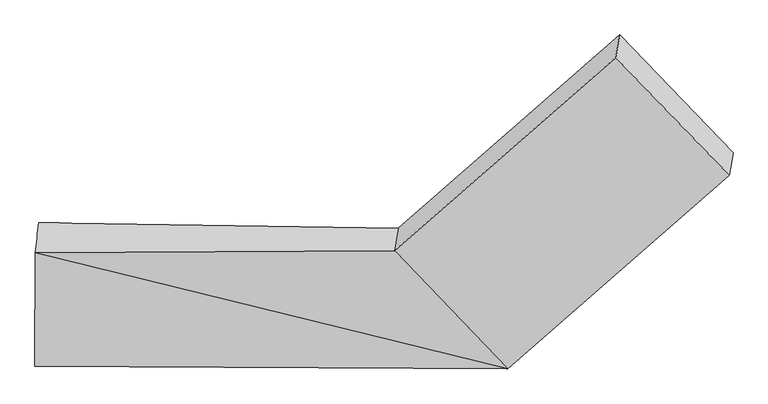
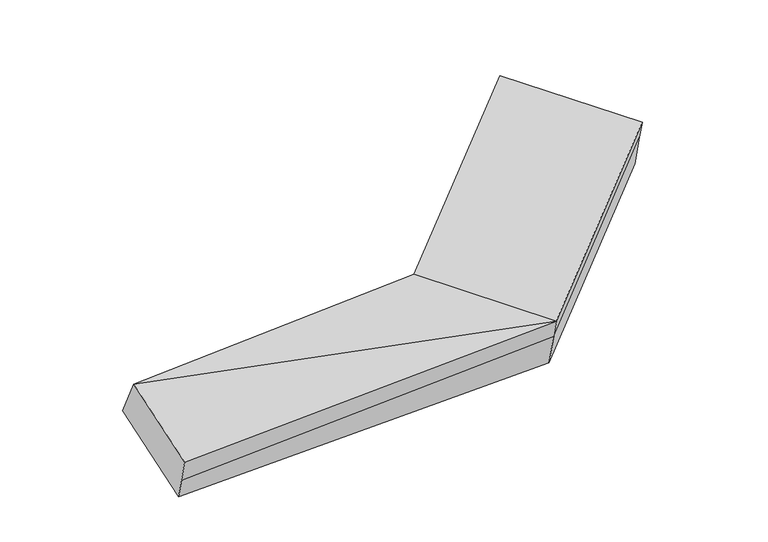
"""IFC4 building model written with IfcOpenShell, lengths in millimetres: proxy geometry."""

from ifc_helpers import new_model, si_unit, frame, origin, place, context, project, spatial, source, transform, mapped, element, save
from ifc_brep_helpers import plane_surface, spline_surface, advanced_brep


def generic_models_06fd349c(model_context):
    return source(origin(), model_context, "Body", "AdvancedBrep", [
        advanced_brep(
        [(-2017.3349931, -1641.4927918, 1645.0517231), (-2036.7090025, -1818.8014456, 1971.1058429), (76.8333153, -1807.6172171, 2095.86823), (99.8347259, -1674.2730759, 1677.1914154), (-2039.641941, -2485.7377211, 1758.5325561), (744.1827872, -2501.2297815, 1911.6230322), (-2029.7095137, -2428.1572965, 1577.7402953), (752.5469365, -2452.7410028, 1759.3769178), (-2020.5612254, -2375.1226949, 1411.2211076), (767.1841978, -2367.8856403, 1492.9462176), (2054.7523058, -1315.0921009, 2193.2470768), (2069.3895671, -1230.2367383, 1926.8163765), (1402.0400952, -536.6241739, 2111.0615743), (1379.0386846, -669.9683151, 2529.738389), (2046.3881565, -1363.5808795, 2345.4931912)],
        [
            (0, 1),
            (1, 2),
            (2, 3),
            (3, 0),
            (1, 4),
            (4, 5),
            (5, 1),
            (4, 6),
            (6, 7),
            (7, 5),
            (6, 8),
            (8, 9),
            (9, 7),
            (8, 0),
            (3, 9),
            (10, 11),
            (11, 12),
            (12, 13),
            (13, 14),
            (14, 10),
            (5, 2),
            (9, 11),
            (10, 7),
            (3, 12),
            (2, 13),
            (5, 14),
        ],
        [
            spline_surface(1, 1, [[(-2017.3349931, -1641.4927918, 1645.0517231), (99.8347259, -1674.2730759, 1677.1914154)], [(-2036.7090025, -1818.8014456, 1971.1058429), (76.8333153, -1807.6172171, 2095.86823)]], [2, 2], [2, 2], [0.0, 1.0], [0.0, 1.0]),
            plane_surface(frame((-2038.1754718, -2152.2695834, 1864.8191995), z_axis=(-0.05400940706965211, -0.30301993071811756, 0.9514525240575968), x_axis=(-0.004189912106337483, -0.9527661078935747, -0.30367612399704763))),
            plane_surface(frame((-2034.6757274, -2456.9475088, 1668.1364257), z_axis=(0.01135320426555181, -0.9529598321912579, -0.30288391007598026), x_axis=(0.05227593309395717, 0.30305486629469175, -0.9515382151202666))),
            plane_surface(frame((-2025.1353696, -2401.6399957, 1494.4807014), z_axis=(0.01135320426555363, -0.9529598321912404, -0.3028839100760348), x_axis=(0.052275933094064975, 0.3030548662947459, -0.9515382151202434))),
            spline_surface(1, 1, [[(-2020.5612254, -2375.1226949, 1411.2211076), (767.1841978, -2367.8856403, 1492.9462176)], [(-2017.3349931, -1641.4927918, 1645.0517231), (99.8347259, -1674.2730759, 1677.1914154)]], [2, 2], [2, 2], [0.0, 1.0], [0.0, 1.0]),
            plane_surface(frame((1724.2141259, -950.1025267, 2228.2773827), z_axis=(0.7304441482425799, 0.6381397303118618, 0.24337015202295517), x_axis=(0.05227593309404573, 0.30305486629470746, -0.9515382151202567))),
            plane_surface(frame((-2028.5617905, -2080.2886634, 1696.4778074), z_axis=(-0.9986238888869429, 0.019861814227523353, -0.04853696405740986), x_axis=(-0.004189912106336226, -0.9527661078935722, -0.30367612399705585))),
            plane_surface(frame((-2036.7090025, -1818.8014456, 1971.1058429), z_axis=(-0.054511064393622397, -0.3050063443262033, 0.9507889743678353), x_axis=(0.6809688488597249, -0.7077679228480033, -0.1880053038349827))),
            plane_surface(frame((759.8655671, -2410.3133216, 1626.1615677), z_axis=(0.6809688488597194, -0.7077679228480083, -0.18800530383498362), x_axis=(0.05227593309406594, 0.3030548662947459, -0.9515382151202434))),
            plane_surface(frame((433.5094618, -2021.0793581, 1585.0688165), z_axis=(0.052275933094068514, 0.3030548662947442, -0.9515382151202438), x_axis=(-0.6809688488597109, 0.7077679228480165, 0.18800530383498348))),
            plane_surface(frame((88.3340206, -1740.9451465, 1886.5298227), z_axis=(-0.6809688488597244, 0.7077679228480035, 0.1880053038349831), x_axis=(-0.05227593309406495, -0.30305486629474654, 0.9515382151202432))),
            plane_surface(frame((410.5080512, -2154.4234993, 2003.7456311), z_axis=(-0.052275933094065336, -0.30305486629474665, 0.9515382151202432), x_axis=(0.680968848859725, -0.7077679228480032, -0.18800530383498273))),
            plane_surface(frame((748.3648618, -2476.9853921, 1835.499975), z_axis=(0.6809688488597198, -0.7077679228480195, -0.18800530383494113), x_axis=(0.052275933094010366, 0.30305486629464023, -0.9515382151202801))),
        ],
        [
            (0, [[1, 2, 3, 4]]),
            (1, [[5, 6, 7]]),
            (2, [[8, 9, 10, -6]]),
            (3, [[11, 12, 13, -9]]),
            (4, [[14, -4, 15, -12]]),
            (5, [[16, 17, 18, 19, 20]]),
            (6, [[-14, -11, -8, -5, -1]]),
            (7, [[21, -2, -7]]),
            (8, [[-13, 22, -16, 23]]),
            (9, [[-15, 24, -17, -22]]),
            (10, [[-3, 25, -18, -24]]),
            (11, [[-21, 26, -19, -25]]),
            (12, [[-10, -23, -20, -26]]),
        ],
    ),
    ])


if __name__ == "__main__":
    model = new_model("IFC4")
    model_context = context("Model", 3, world=origin())
    ifc_project = project(units=[si_unit("LENGTHUNIT", "METRE", prefix="MILLI")], contexts=[model_context])
    site = spatial("IfcSite", under=ifc_project)
    building = spatial("IfcBuilding", under=site)
    placement = place(None, origin())
    generic_models_shape = generic_models_06fd349c(model_context)
    element("IfcBuildingElementProxy", 1, Name="Generic Models", at=placement, inside=building, context=model_context, shape_type="MappedRepresentation", body=[
        mapped(generic_models_shape, transform((0.0, 0.0, 0.0), x_axis=(1.0, 0.0, 0.0), y_axis=(0.0, 1.0, 0.0), z_axis=(0.0, 0.0, 1.0))),
    ])
    save(model, "model.ifc")
